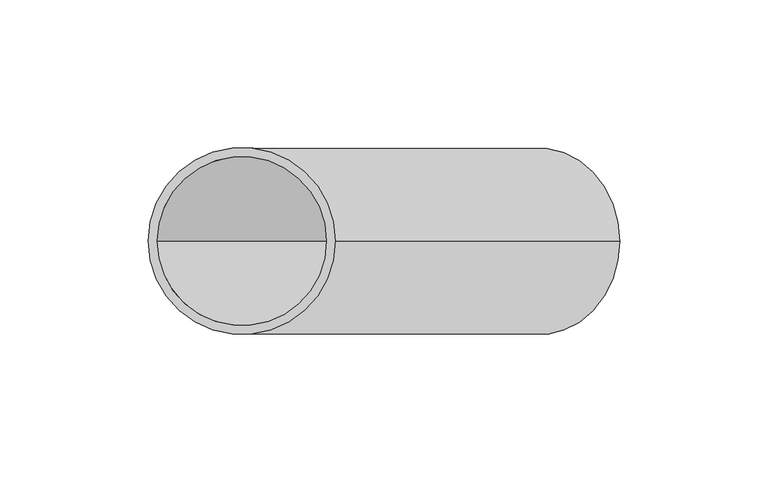
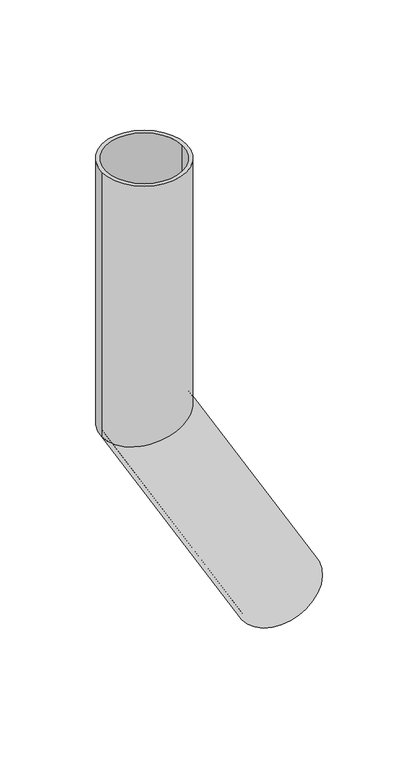
"""IFC4 building model written with IfcOpenShell, lengths in millimetres: beam geometry."""

from ifc_helpers import new_model, si_unit, frame, origin, place, context, project, spatial, polyline, circle_curve, ellipse_curve, source, transform, mapped, element, save
from ifc_brep_helpers import plane_surface, cylinder_surface, revolved_surface, advanced_brep


def beam_4dc64c27(model_context):
    return source(origin(), model_context, "Body", "AdvancedBrep", [
        advanced_brep(
        [(127.2798002, 0.0, -357.4550808), (72.7201998, 0.0, -388.9550808), (124.681724, 0.0, -358.9550808), (75.318276, 0.0, -387.4550808), (31.5, 0.0, 0.0), (-31.5, 0.0, 0.0), (28.5, 0.0, 0.0), (-28.5, 0.0, 0.0), (28.5, 0.0, -192.363448), (0.0, -28.5, -200.0), (-28.5, 0.0, -207.636552), (0.0, 28.5, -200.0), (31.5, 0.0, -191.5596004), (-31.5, 0.0, -208.4403996)],
        [
            (0, 1, circle_curve(frame((100.0, 0.0, -373.2050808), z_axis=(0.5000000000000633, 0.0, -0.8660254037844022), x_axis=(-0.8660254037844022, 0.0, -0.5000000000000633)), 31.5)),
            (1, 0, circle_curve(frame((100.0, 0.0, -373.2050808), z_axis=(0.5000000000000633, 0.0, -0.8660254037844022), x_axis=(-0.8660254037844022, 0.0, -0.5000000000000633)), 31.5)),
            (2, 3, circle_curve(frame((100.0, 0.0, -373.2050808), z_axis=(-0.5000000000000633, 0.0, 0.8660254037844022), x_axis=(-0.8660254037844022, 0.0, -0.5000000000000633)), 28.5)),
            (3, 2, circle_curve(frame((100.0, 0.0, -373.2050808), z_axis=(-0.5000000000000633, 0.0, 0.8660254037844022), x_axis=(-0.8660254037844022, 0.0, -0.5000000000000633)), 28.5)),
            (4, 5, circle_curve(frame((0.0, 0.0, 0.0), z_axis=(0.0, 0.0, 1.0), x_axis=(-1.0, 0.0, 0.0)), 31.5)),
            (5, 4, circle_curve(frame((0.0, 0.0, 0.0), z_axis=(0.0, 0.0, 1.0), x_axis=(-1.0, 0.0, 0.0)), 31.5)),
            (6, 7, circle_curve(frame((0.0, 0.0, 0.0), z_axis=(0.0, 0.0, -1.0), x_axis=(-1.0, 0.0, 0.0)), 28.5)),
            (7, 6, circle_curve(frame((0.0, 0.0, 0.0), z_axis=(0.0, 0.0, -1.0), x_axis=(-1.0, 0.0, 0.0)), 28.5)),
            (6, 8),
            (8, 9, ellipse_curve(frame((0.0, 0.0, -200.0), z_axis=(0.25881904510255604, 0.0, -0.9659258262890589), x_axis=(0.9659258262890589, 0.0, 0.25881904510255593)), 29.5053711, 28.5)),
            (9, 10, ellipse_curve(frame((0.0, 0.0, -200.0), z_axis=(0.25881904510255604, 0.0, -0.9659258262890589), x_axis=(0.9659258262890589, 0.0, 0.25881904510255593)), 29.5053711, 28.5)),
            (10, 7),
            (10, 11, ellipse_curve(frame((0.0, 0.0, -200.0), z_axis=(0.25881904510255604, 0.0, -0.9659258262890589), x_axis=(0.9659258262890589, 0.0, 0.25881904510255593)), 29.5053711, 28.5)),
            (11, 8, ellipse_curve(frame((0.0, 0.0, -200.0), z_axis=(0.25881904510255604, 0.0, -0.9659258262890589), x_axis=(0.9659258262890589, 0.0, 0.25881904510255593)), 29.5053711, 28.5)),
            (4, 12),
            (12, 13, ellipse_curve(frame((0.0, 0.0, -200.0), z_axis=(-0.25881904510255604, 0.0, 0.9659258262890589), x_axis=(-0.9659258262890589, 0.0, -0.25881904510255593)), 32.6111997, 31.5)),
            (13, 5),
            (13, 12, ellipse_curve(frame((0.0, 0.0, -200.0), z_axis=(-0.25881904510255604, 0.0, 0.9659258262890589), x_axis=(-0.9659258262890589, 0.0, -0.25881904510255593)), 32.6111997, 31.5)),
            (2, 8),
            (10, 3),
            (0, 12),
            (13, 1),
        ],
        [
            plane_surface(frame((100.0, 0.0, -373.2050808), z_axis=(0.5000000000000633, 0.0, -0.8660254037844022), x_axis=(0.0, -1.0, 0.0))),
            plane_surface(frame((0.0, 0.0, 0.0), z_axis=(0.0, 0.0, 1.0), x_axis=(0.0, -1.0, 0.0))),
            revolved_surface(polyline([(-28.5, 0.0, 0.0), (-28.5, 0.0, -207.636552)]), (0.0, 0.0, -200.0), (0.0, 0.0, 1.0)),
            cylinder_surface(frame((0.0, 0.0, -200.0), z_axis=(0.0, 0.0, -1.0), x_axis=(-1.0, 0.0, 0.0)), 31.5),
            revolved_surface(polyline([(-28.50000001328607, 0.0, -207.6365520044175), (75.31827599410762, 0.0, -387.455080803402)]), (100.0, 0.0, -373.2050808), (-0.5000000000000633, 0.0, 0.8660254037844022)),
            cylinder_surface(frame((100.0, 0.0, -373.2050808), z_axis=(0.5000000000000633, 0.0, -0.8660254037844022), x_axis=(-0.8660254037844022, 0.0, -0.5000000000000633)), 31.5),
        ],
        [
            (0, [[1, 2], [3, 4]]),
            (1, [[5, 6], [7, 8]]),
            (2, [[-7, 9, 10, 11, 12]]),
            (2, [[-8, -12, 13, 14, -9]]),
            (3, [[-5, 15, 16, 17]]),
            (3, [[-6, -17, 18, -15]]),
            (4, [[-3, 19, -14, -13, 20]]),
            (4, [[-4, -20, -11, -10, -19]]),
            (5, [[-1, 21, -18, 22]]),
            (5, [[-2, -22, -16, -21]]),
        ],
    ),
    ])


if __name__ == "__main__":
    model = new_model("IFC4")
    model_context = context("Model", 3, world=origin())
    ifc_project = project(units=[si_unit("LENGTHUNIT", "METRE", prefix="MILLI")], contexts=[model_context])
    site = spatial("IfcSite", under=ifc_project)
    building = spatial("IfcBuilding", under=site)
    placement = place(None, origin())
    beam_shape = beam_4dc64c27(model_context)
    element("IfcBeam", 1, at=placement, inside=building, context=model_context, shape_type="MappedRepresentation", body=[
        mapped(beam_shape, transform((0.0, 0.0, 0.0), x_axis=(1.0, 0.0, 0.0), y_axis=(0.0, 1.0, 0.0), z_axis=(0.0, 0.0, 1.0))),
    ])
    save(model, "model.ifc")
